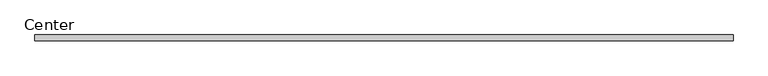
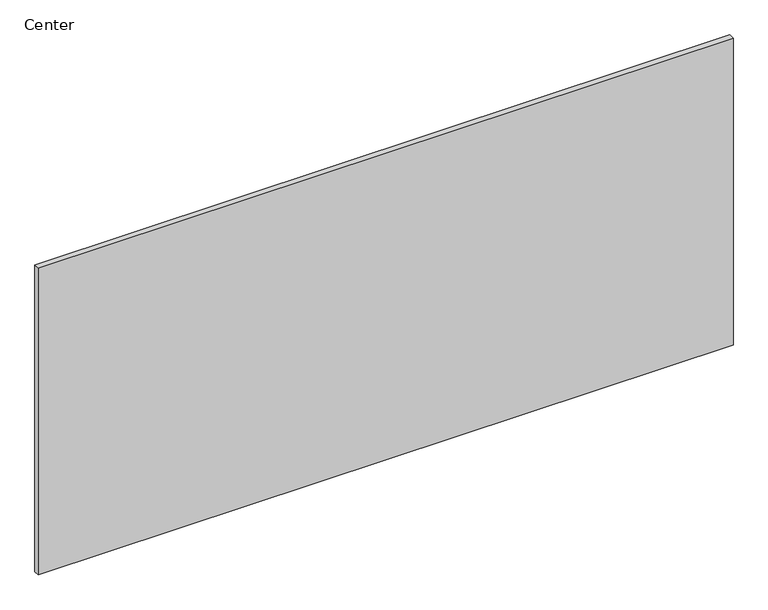
"""IFC4 building model written with IfcOpenShell, lengths in millimetres: plate geometry, Center."""

from ifc_helpers import new_model, si_unit, origin, origin_with_axes, place, context, project, spatial, polyline, outline, extrude, source, transform, mapped, element, save


def center_65353e10(model_context):
    return source(origin(), model_context, "Body", "SweptSolid", [
        extrude(outline(polyline([(577.5999998, 4.7625), (577.5999998, -4.7625), (-598.2374998, -4.7625), (-598.2374998, 4.7625), (577.5999998, 4.7625)])), origin_with_axes(), (0.0, 0.0, 1.0), 549.1624989),
    ])


if __name__ == "__main__":
    model = new_model("IFC4")
    model_context = context("Model", 3, world=origin())
    ifc_project = project(units=[si_unit("LENGTHUNIT", "METRE", prefix="MILLI")], contexts=[model_context])
    site = spatial("IfcSite", under=ifc_project)
    building = spatial("IfcBuilding", under=site)
    placement = place(None, origin())
    center_shape = center_65353e10(model_context)
    element("IfcPlate", 1, ObjectType="Center", at=placement, inside=building, context=model_context, shape_type="MappedRepresentation", body=[
        mapped(center_shape, transform((0.0, 0.0, 0.0), x_axis=(1.0, 0.0, 0.0), y_axis=(0.0, 1.0, 0.0), z_axis=(0.0, 0.0, 1.0))),
    ])
    save(model, "model.ifc")
